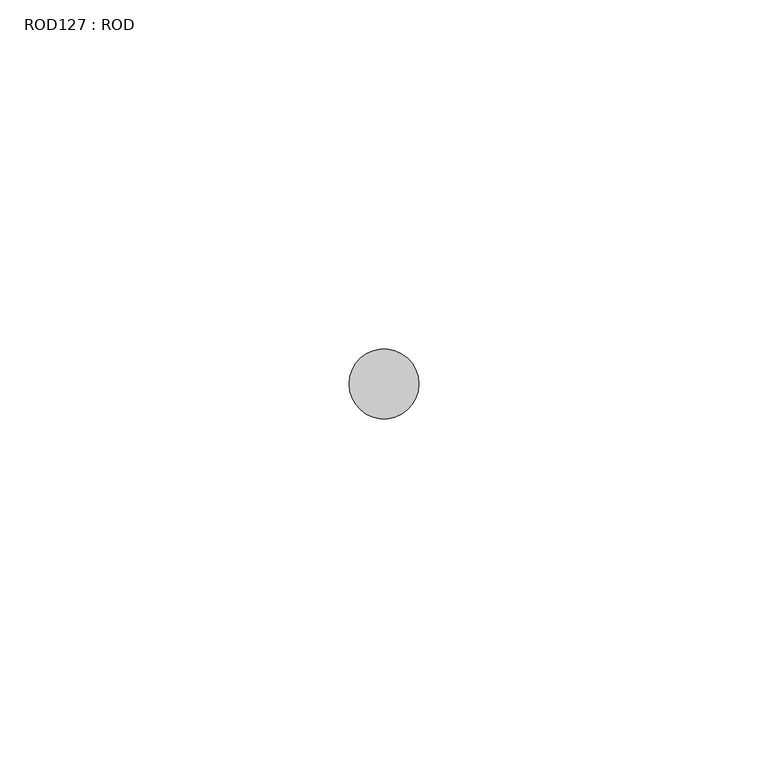
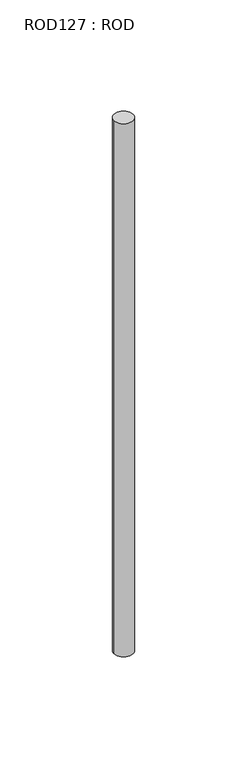
"""IFC4 building model written with IfcOpenShell, lengths in millimetres: proxy geometry, ROD127 : ROD."""

from ifc_helpers import new_model, si_unit, point, frame, frame_2d, origin, place, context, project, spatial, circle_curve, trimmed, segment, composite_curve, outline, extrude, source, transform, mapped, element, save


def rod127_rod_dc927188(model_context):
    return source(origin(), model_context, "Body", "SweptSolid", [
        extrude(outline(composite_curve([segment(trimmed(circle_curve(frame_2d((2179.7673324, -12414.6300853)), 5.0), [point((2174.7673324, -12414.6300853))], [point((2184.7673324, -12414.6300853))], False, "CARTESIAN"), True, "CONTINUOUS"), segment(trimmed(circle_curve(frame_2d((2179.7673324, -12414.6300853)), 5.0), [point((2184.7673324, -12414.6300853))], [point((2174.7673324, -12414.6300853))], False, "CARTESIAN"), True, "CONTINUOUS")], self_intersect=False)), frame((0.0, 0.0, -208.6608845), z_axis=(0.0, 0.0, 1.0), x_axis=(1.0, 0.0, 0.0)), (0.0, 0.0, 1.0), 298.9028972),
    ])


if __name__ == "__main__":
    model = new_model("IFC4")
    model_context = context("Model", 3, world=origin())
    ifc_project = project(units=[si_unit("LENGTHUNIT", "METRE", prefix="MILLI")], contexts=[model_context])
    site = spatial("IfcSite", under=ifc_project)
    building = spatial("IfcBuilding", under=site)
    placement = place(None, origin())
    rod127_rod_shape = rod127_rod_dc927188(model_context)
    element("IfcBuildingElementProxy", 1, Name="ROD127 : ROD", ObjectType="ROD127 : ROD", at=placement, inside=building, context=model_context, shape_type="MappedRepresentation", body=[
        mapped(rod127_rod_shape, transform((0.0, 0.0, 0.0), x_axis=(1.0, 0.0, 0.0), y_axis=(0.0, 1.0, 0.0), z_axis=(0.0, 0.0, 1.0))),
    ])
    save(model, "model.ifc")
